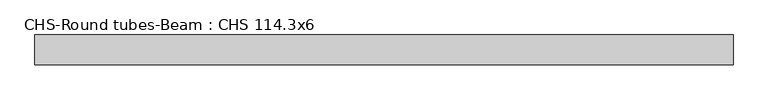
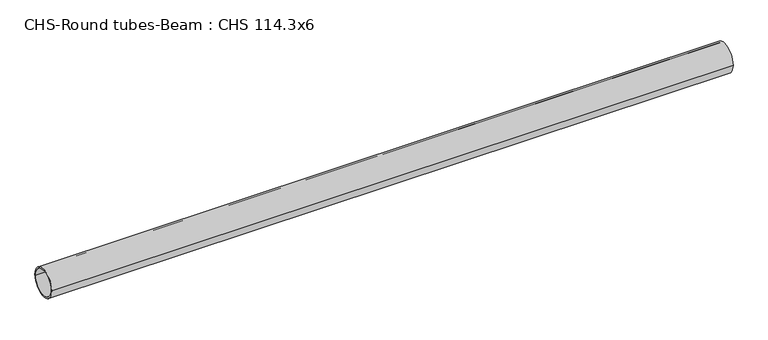
"""IFC4 building model written with IfcOpenShell, lengths in millimetres: beam geometry, CHS-Round tubes-Beam : CHS 114.3x6."""

import ifcopenshell
import ifcopenshell.guid

model = None  # the IFC model being written
_history = None  # IfcOwnerHistory: only IFC2X3 demands one
_inside = {}  # id of a spatial element -> (the spatial element, [elements in it])
_under = {}  # id of a project, library or spatial element -> (it, [spatial elements below it])
_declared = {}  # id of a project -> (the project, [libraries it declares])
_typed = {}  # id of a type object -> (the type object, [elements of that type])
_made_of = {}  # id of a material, layer set ... -> (it, [elements and type objects made of it])


def new_model(schema):
    """Start an empty IFC model of exactly this schema.

    Asked for "IFC4X3", IfcOpenShell would pick the latest addendum, in which some entities
    have other attributes; the version numbers below select the first issue.
    IFC2X3 requires an IfcOwnerHistory on every rooted entity: one is made here for all.
    """
    global model, _history
    if schema == "IFC4X3":
        model = ifcopenshell.file(schema_version=(4, 3, 0, 0))
    else:
        model = ifcopenshell.file(schema=schema)
    _inside.clear()
    _under.clear()
    _declared.clear()
    _typed.clear()
    _made_of.clear()
    _history = None
    if model.schema == "IFC2X3":
        org = make("IfcOrganization", Name="unknown")
        user = make(
            "IfcPersonAndOrganization",
            ThePerson=make("IfcPerson", FamilyName="unknown"),
            TheOrganization=org,
        )
        app = make(
            "IfcApplication",
            ApplicationDeveloper=org,
            Version="unknown",
            ApplicationFullName="unknown",
            ApplicationIdentifier="unknown",
        )
        _history = make(
            "IfcOwnerHistory",
            OwningUser=user,
            OwningApplication=app,
            ChangeAction="ADDED",
            CreationDate=0,
        )
    return model


def make(cls, **values):
    """One entity of the class cls with the attributes given. An attribute that is None is left unset."""
    return model.create_entity(
        cls, **{name: value for name, value in values.items() if value is not None}
    )


def rooted(cls, **values):
    """An entity with a GlobalId (a new one), such as an element, a storey or a relation."""
    return make(cls, GlobalId=ifcopenshell.guid.new(), OwnerHistory=_history, **values)


def si_unit(unit_type, name, prefix=None):
    """IfcSIUnit, for example si_unit("LENGTHUNIT", "METRE", prefix="MILLI")."""
    return make("IfcSIUnit", UnitType=unit_type, Prefix=prefix, Name=name)


def assignment(units):
    """IfcUnitAssignment: the units of a project."""
    return None if units is None else make("IfcUnitAssignment", Units=units)


def point(xyz):
    """IfcCartesianPoint."""
    return None if xyz is None else make("IfcCartesianPoint", Coordinates=xyz)


def direction(xyz):
    """IfcDirection."""
    return None if xyz is None else make("IfcDirection", DirectionRatios=xyz)


def frame(location, z_axis=None, x_axis=None):
    """IfcAxis2Placement3D, a coordinate frame: its origin and axes. An axis left out is left unset."""
    return make(
        "IfcAxis2Placement3D",
        Location=point(location),
        Axis=direction(z_axis),
        RefDirection=direction(x_axis),
    )


def frame_2d(location, x_axis=None):
    """IfcAxis2Placement2D, a coordinate frame in the plane: its origin and x axis."""
    return make(
        "IfcAxis2Placement2D", Location=point(location), RefDirection=direction(x_axis)
    )


def origin():
    """The frame at (0, 0, 0) with its axes left unset."""
    return frame((0.0, 0.0, 0.0))


def origin_2d():
    """The frame at (0, 0) in the plane with its x axis left unset."""
    return frame_2d((0.0, 0.0))


def place(relative_to, where):
    """IfcLocalPlacement: puts the frame where relative to a parent placement (None: the world)."""
    return make(
        "IfcLocalPlacement", PlacementRelTo=relative_to, RelativePlacement=where
    )


def context(
    kind, dimensions, precision=None, world=None, true_north=None, identifier=None
):
    """IfcGeometricRepresentationContext, for example the 3D "Model" context."""
    return make(
        "IfcGeometricRepresentationContext",
        ContextIdentifier=identifier,
        ContextType=kind,
        CoordinateSpaceDimension=dimensions,
        Precision=precision,
        WorldCoordinateSystem=world,
        TrueNorth=true_north,
    )


def project(units=None, contexts=None):
    """IfcProject with its units and contexts."""
    return rooted(
        "IfcProject",
        Name="project",
        RepresentationContexts=contexts,
        UnitsInContext=assignment(units),
    )


def spatial(cls, under=None, at=None, **own):
    """A site, building, storey or space (cls), placed at a placement, below another one or the project."""
    s = rooted(cls, ObjectPlacement=at, **own)
    if under is not None:
        _under.setdefault(under.id(), (under, []))[1].append(s)
    return s


def circle_curve(where, radius):
    """IfcCircle in the frame where."""
    return make("IfcCircle", Position=where, Radius=radius)


def trimmed(basis, trim1, trim2, sense, master):
    """IfcTrimmedCurve: the piece of a basis curve between two trims."""
    return make(
        "IfcTrimmedCurve",
        BasisCurve=basis,
        Trim1=trim1,
        Trim2=trim2,
        SenseAgreement=sense,
        MasterRepresentation=master,
    )


def segment(curve, same_sense, transition):
    """IfcCompositeCurveSegment."""
    return make(
        "IfcCompositeCurveSegment",
        Transition=transition,
        SameSense=same_sense,
        ParentCurve=curve,
    )


def composite_curve(segments, self_intersect=None):
    """IfcCompositeCurve: segments joined end to end."""
    return make("IfcCompositeCurve", Segments=segments, SelfIntersect=self_intersect)


def outline(outer, holes=None, kind="AREA"):
    """IfcArbitraryClosedProfileDef: a profile drawn as a closed curve; with holes, ...WithVoids."""
    if holes is None:
        return make("IfcArbitraryClosedProfileDef", ProfileType=kind, OuterCurve=outer)
    return make(
        "IfcArbitraryProfileDefWithVoids",
        ProfileType=kind,
        OuterCurve=outer,
        InnerCurves=holes,
    )


def extrude(swept, where, along, depth):
    """IfcExtrudedAreaSolid: the profile swept, set in the frame where, extruded along a direction by depth."""
    return make(
        "IfcExtrudedAreaSolid",
        SweptArea=swept,
        Position=where,
        ExtrudedDirection=direction(along),
        Depth=depth,
    )


def shape(context_of_items, identifier, shape_type, items):
    """IfcShapeRepresentation: the items that make up one representation, for example the "Body"."""
    return make(
        "IfcShapeRepresentation",
        ContextOfItems=context_of_items,
        RepresentationIdentifier=identifier,
        RepresentationType=shape_type,
        Items=items,
    )


def source(mapping_origin, context_of_items, identifier, shape_type, items):
    """IfcRepresentationMap: a shape defined once, which mapped items show again and again."""
    return make(
        "IfcRepresentationMap",
        MappingOrigin=mapping_origin,
        MappedRepresentation=shape(context_of_items, identifier, shape_type, items),
    )


def transform(
    local_origin,
    x_axis=None,
    y_axis=None,
    z_axis=None,
    scale=None,
    scale2=None,
    scale3=None,
    uniform=True,
):
    """IfcCartesianTransformationOperator3D, or its non-uniform kind. x_axis, y_axis, z_axis: its Axis1, 2, 3."""
    if uniform:
        return make(
            "IfcCartesianTransformationOperator3D",
            Axis1=direction(x_axis),
            Axis2=direction(y_axis),
            LocalOrigin=point(local_origin),
            Scale=scale,
            Axis3=direction(z_axis),
        )
    return make(
        "IfcCartesianTransformationOperator3DnonUniform",
        Axis1=direction(x_axis),
        Axis2=direction(y_axis),
        LocalOrigin=point(local_origin),
        Scale=scale,
        Axis3=direction(z_axis),
        Scale2=scale2,
        Scale3=scale3,
    )


def mapped(mapping_source, mapping_target):
    """IfcMappedItem: shows the shape of a source again, moved by a transform."""
    return make(
        "IfcMappedItem", MappingSource=mapping_source, MappingTarget=mapping_target
    )


def made_of(thing, what):
    """Note that an element or type object is made of a material, layer set ...; save() writes the relation."""
    if what is not None:
        _made_of.setdefault(what.id(), (what, []))[1].append(thing)
    return thing


def element(
    cls,
    number,
    at=None,
    inside=None,
    cuts=None,
    type_object=None,
    material=None,
    context=None,
    identifier="Body",
    shape_type=None,
    held_by="IfcProductDefinitionShape",
    body=None,
    shapes=None,
    **own,
):
    """One element of the class cls, such as IfcWall. Its Tag is "e" and its number.

    at: its placement. inside: the storey or other place that contains it. cuts: it is an
    opening in that element (IfcRelVoidsElement). A single representation is given by context,
    identifier, shape_type and body (its items); several are given by shapes. held_by: the class
    of the entity that holds the representations. save() writes the other relations.
    """
    e = rooted(cls, Tag="e%d" % number, ObjectPlacement=at, **own)
    if body is not None:
        shapes = [shape(context, identifier, shape_type, body)]
    if shapes is not None:
        e.Representation = make(held_by, Representations=shapes)
    if inside is not None:
        _inside.setdefault(inside.id(), (inside, []))[1].append(e)
    if cuts is not None:
        rooted(
            "IfcRelVoidsElement", RelatingBuildingElement=cuts, RelatedOpeningElement=e
        )
    if type_object is not None:
        _typed.setdefault(type_object.id(), (type_object, []))[1].append(e)
    return made_of(e, material)


def aggregate(whole, parts):
    """IfcRelAggregates: a whole, such as a stair, and the parts it consists of."""
    return rooted("IfcRelAggregates", RelatingObject=whole, RelatedObjects=parts)


def save(model, path):
    """Write the relations noted so far, then the file.

    IfcRelAggregates (storeys below a building ...), IfcRelContainedInSpatialStructure (elements
    in a storey), IfcRelDefinesByType, IfcRelAssociatesMaterial and IfcRelDeclares: one each for
    every whole, place, type object, material and project.
    """
    for whole, parts in _under.values():
        aggregate(whole, parts)
    for where, things in _inside.values():
        rooted(
            "IfcRelContainedInSpatialStructure",
            RelatedElements=things,
            RelatingStructure=where,
        )
    for kind, things in _typed.values():
        rooted("IfcRelDefinesByType", RelatedObjects=things, RelatingType=kind)
    for what, things in _made_of.values():
        rooted("IfcRelAssociatesMaterial", RelatedObjects=things, RelatingMaterial=what)
    for by, libraries in _declared.values():
        rooted("IfcRelDeclares", RelatingContext=by, RelatedDefinitions=libraries)
    model.write(path)


def chs_round_tubes_beam_chs_114_3x6_e4eba1b3(model_context):
    return source(origin(), model_context, "Body", "SweptSolid", [
        extrude(outline(composite_curve([segment(trimmed(circle_curve(origin_2d(), 57.15), [point((57.15, 0.0))], [point((-57.15, 0.0))], False, "CARTESIAN"), True, "CONTINUOUS"), segment(trimmed(circle_curve(origin_2d(), 57.15), [point((-57.15, 0.0))], [point((57.15, 0.0))], False, "CARTESIAN"), True, "CONTINUOUS")], self_intersect=False), holes=[composite_curve([segment(trimmed(circle_curve(origin_2d(), 51.15), [point((51.15, 0.0))], [point((-51.15, 0.0))], True, "CARTESIAN"), True, "CONTINUOUS"), segment(trimmed(circle_curve(origin_2d(), 51.15), [point((-51.15, 0.0))], [point((51.15, 0.0))], True, "CARTESIAN"), True, "CONTINUOUS")], self_intersect=False)]), frame((-1282.4473698, 0.0, 0.0), z_axis=(1.0, 0.0, 0.0), x_axis=(0.0, 1.0, 0.0)), (0.0, 0.0, 1.0), 2685.3370891),
    ])


if __name__ == "__main__":
    model = new_model("IFC4")
    model_context = context("Model", 3, world=origin())
    ifc_project = project(units=[si_unit("LENGTHUNIT", "METRE", prefix="MILLI")], contexts=[model_context])
    site = spatial("IfcSite", under=ifc_project)
    building = spatial("IfcBuilding", under=site)
    placement = place(None, origin())
    chs_round_tubes_beam_chs_114_3x6_shape = chs_round_tubes_beam_chs_114_3x6_e4eba1b3(model_context)
    element("IfcBeam", 1, ObjectType="CHS-Round tubes-Beam : CHS 114.3x6", at=placement, inside=building, context=model_context, shape_type="MappedRepresentation", body=[
        mapped(chs_round_tubes_beam_chs_114_3x6_shape, transform((0.0, 0.0, 0.0), x_axis=(1.0, 0.0, 0.0), y_axis=(0.0, 1.0, 0.0), z_axis=(0.0, 0.0, 1.0))),
    ])
    save(model, "model.ifc")
